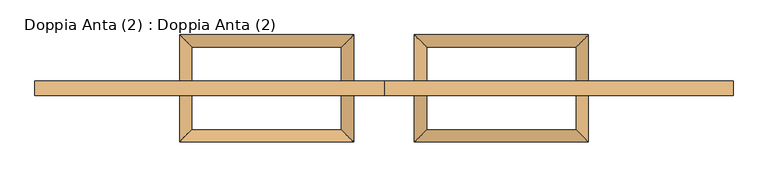
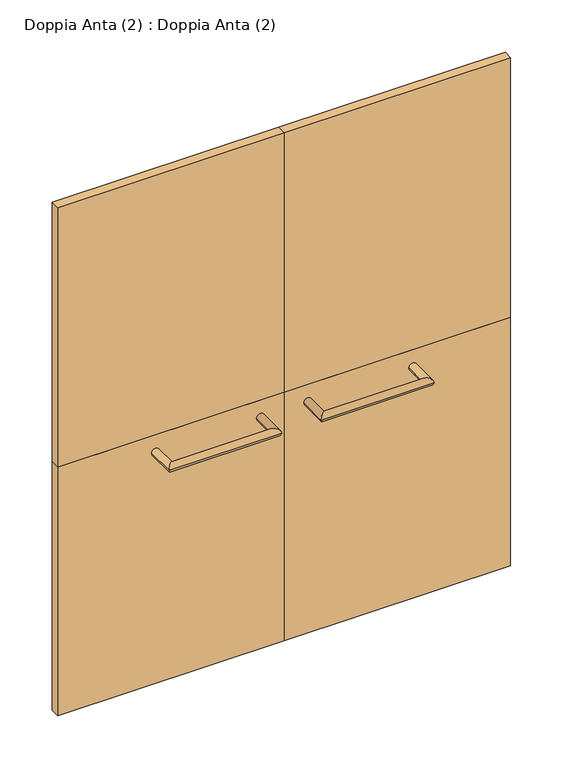
"""IFC4 building model written with IfcOpenShell, lengths in millimetres: door geometry, Doppia Anta (2) : Doppia Anta (2)."""

from ifc_helpers import new_model, si_unit, frame, origin, origin_with_axes, place, context, project, spatial, polyline, circle_curve, ellipse_curve, outline, extrude, source, transform, mapped, element, save
from ifc_brep_helpers import plane_surface, cylinder_surface, advanced_brep


def doppia_anta_2_doppia_anta_2_a67d2ca1(model_context):
    return source(origin(), model_context, "Body", "SolidModel", [
        extrude(outline(polyline([(0.0, 17.5), (0.0, -17.5), (-862.5000002, -17.5), (-862.5000002, 17.5), (0.0, 17.5)])), origin_with_axes(), (0.0, 0.0, 1.0), 1000.0),
        extrude(outline(polyline([(0.0, 17.5), (0.0, -17.5), (-862.5000002, -17.5), (-862.5000002, 17.5), (0.0, 17.5)])), frame((0.0, 0.0, 1000.0), z_axis=(0.0, 0.0, 1.0), x_axis=(1.0, 0.0, 0.0)), (0.0, 0.0, 1.0), 1045.0),
        extrude(outline(polyline([(862.5000002, 17.5), (862.5000002, -17.5), (0.0, -17.5), (0.0, 17.5), (862.5000002, 17.5)])), frame((0.0, 0.0, 1000.0), z_axis=(0.0, 0.0, 1.0), x_axis=(1.0, 0.0, 0.0)), (0.0, 0.0, 1.0), 1045.0),
        extrude(outline(polyline([(862.5000002, 17.5), (862.5000002, -17.5), (0.0, -17.5), (0.0, 17.5), (862.5000002, 17.5)])), origin_with_axes(), (0.0, 0.0, 1.0), 1000.0),
        advanced_brep(
        [(75.08, 17.5, 931.6623818), (105.08, 17.5, 931.6623818), (105.08, 102.5, 931.6623818), (75.08, 132.5, 931.6623818), (475.08, 102.5, 931.6623818), (505.08, 132.5, 931.6623818), (505.08, 17.5, 931.6623818), (475.08, 17.5, 931.6623818)],
        [
            (0, 1, circle_curve(frame((90.08, 17.5, 931.6623818), z_axis=(0.0, -1.0, 0.0), x_axis=(1.0, 0.0, 0.0)), 15.0)),
            (1, 0, circle_curve(frame((90.08, 17.5, 931.6623818), z_axis=(0.0, -1.0, 0.0), x_axis=(1.0, 0.0, 0.0)), 15.0)),
            (1, 2),
            (2, 3, ellipse_curve(frame((90.08, 117.5, 931.6623818), z_axis=(-0.7071067811865475, -0.7071067811865475, 0.0), x_axis=(0.7071067811865474, -0.7071067811865476, 0.0)), 21.2132034, 15.0)),
            (3, 0),
            (3, 2, ellipse_curve(frame((90.08, 117.5, 931.6623818), z_axis=(-0.7071067811865475, -0.7071067811865475, 0.0), x_axis=(0.7071067811865474, -0.7071067811865476, 0.0)), 21.2132034, 15.0)),
            (2, 4),
            (4, 5, ellipse_curve(frame((490.08, 117.5, 931.6623818), z_axis=(-0.7071067811865475, 0.7071067811865475, 0.0), x_axis=(-0.7071067811865476, -0.7071067811865474, 0.0)), 21.2132034, 15.0)),
            (5, 3),
            (5, 4, ellipse_curve(frame((490.08, 117.5, 931.6623818), z_axis=(-0.7071067811865475, 0.7071067811865475, 0.0), x_axis=(-0.7071067811865476, -0.7071067811865474, 0.0)), 21.2132034, 15.0)),
            (6, 7, circle_curve(frame((490.08, 17.5, 931.6623818), z_axis=(0.0, -1.0, 0.0), x_axis=(-1.0, 0.0, 0.0)), 15.0)),
            (7, 6, circle_curve(frame((490.08, 17.5, 931.6623818), z_axis=(0.0, -1.0, 0.0), x_axis=(-1.0, 0.0, 0.0)), 15.0)),
            (4, 7),
            (6, 5),
        ],
        [
            plane_surface(frame((90.08, 17.5, 931.6623818), z_axis=(0.0, -1.0, 0.0), x_axis=(0.0, 0.0, 1.0))),
            cylinder_surface(frame((90.08, 17.5, 931.6623818), z_axis=(0.0, -1.0, 0.0), x_axis=(1.0, 0.0, 0.0)), 15.0),
            cylinder_surface(frame((90.08, 117.5, 931.6623818), z_axis=(-1.0, 0.0, 0.0), x_axis=(0.0, -1.0, 0.0)), 15.0),
            plane_surface(frame((490.08, 17.5, 931.6623818), z_axis=(0.0, -1.0, 0.0), x_axis=(0.0, 0.0, 1.0))),
            cylinder_surface(frame((490.08, 117.5, 931.6623818), z_axis=(0.0, 1.0, 0.0), x_axis=(-1.0, 0.0, 0.0)), 15.0),
        ],
        [
            (0, [[1, 2]]),
            (1, [[3, 4, 5, -2]]),
            (1, [[-5, 6, -3, -1]]),
            (2, [[7, 8, 9, -4]]),
            (2, [[-9, 10, -7, -6]]),
            (3, [[11, 12]]),
            (4, [[13, -11, 14, -8]]),
            (4, [[-14, -12, -13, -10]]),
        ],
    ),
        advanced_brep(
        [(-505.0798099, 17.5, 931.6623818), (-475.0798099, 17.5, 931.6623818), (-475.0798099, 102.5, 931.6623818), (-505.0798099, 132.5, 931.6623818), (-105.0798099, 102.5, 931.6623818), (-75.0798099, 132.5, 931.6623818), (-75.0798099, 17.5, 931.6623818), (-105.0798099, 17.5, 931.6623818)],
        [
            (0, 1, circle_curve(frame((-490.0798099, 17.5, 931.6623818), z_axis=(0.0, -1.0, 0.0), x_axis=(1.0, 0.0, 0.0)), 15.0)),
            (1, 0, circle_curve(frame((-490.0798099, 17.5, 931.6623818), z_axis=(0.0, -1.0, 0.0), x_axis=(1.0, 0.0, 0.0)), 15.0)),
            (1, 2),
            (2, 3, ellipse_curve(frame((-490.0798099, 117.5, 931.6623818), z_axis=(-0.7071067811865475, -0.7071067811865475, 0.0), x_axis=(0.7071067811865474, -0.7071067811865476, 0.0)), 21.2132034, 15.0)),
            (3, 0),
            (3, 2, ellipse_curve(frame((-490.0798099, 117.5, 931.6623818), z_axis=(-0.7071067811865475, -0.7071067811865475, 0.0), x_axis=(0.7071067811865474, -0.7071067811865476, 0.0)), 21.2132034, 15.0)),
            (2, 4),
            (4, 5, ellipse_curve(frame((-90.0798099, 117.5, 931.6623818), z_axis=(-0.7071067811865475, 0.7071067811865475, 0.0), x_axis=(-0.7071067811865476, -0.7071067811865474, 0.0)), 21.2132034, 15.0)),
            (5, 3),
            (5, 4, ellipse_curve(frame((-90.0798099, 117.5, 931.6623818), z_axis=(-0.7071067811865475, 0.7071067811865475, 0.0), x_axis=(-0.7071067811865476, -0.7071067811865474, 0.0)), 21.2132034, 15.0)),
            (6, 7, circle_curve(frame((-90.0798099, 17.5, 931.6623818), z_axis=(0.0, -1.0, 0.0), x_axis=(-1.0, 0.0, 0.0)), 15.0)),
            (7, 6, circle_curve(frame((-90.0798099, 17.5, 931.6623818), z_axis=(0.0, -1.0, 0.0), x_axis=(-1.0, 0.0, 0.0)), 15.0)),
            (4, 7),
            (6, 5),
        ],
        [
            plane_surface(frame((-490.0798099, 17.5, 931.6623818), z_axis=(0.0, -1.0, 0.0), x_axis=(0.0, 0.0, 1.0))),
            cylinder_surface(frame((-490.0798099, 17.5, 931.6623818), z_axis=(0.0, -1.0, 0.0), x_axis=(1.0, 0.0, 0.0)), 15.0),
            cylinder_surface(frame((-490.0798099, 117.5, 931.6623818), z_axis=(-1.0, 0.0, 0.0), x_axis=(0.0, -1.0, 0.0)), 15.0),
            plane_surface(frame((-90.0798099, 17.5, 931.6623818), z_axis=(0.0, -1.0, 0.0), x_axis=(0.0, 0.0, 1.0))),
            cylinder_surface(frame((-90.0798099, 117.5, 931.6623818), z_axis=(0.0, 1.0, 0.0), x_axis=(-1.0, 0.0, 0.0)), 15.0),
        ],
        [
            (0, [[1, 2]]),
            (1, [[3, 4, 5, -2]]),
            (1, [[-5, 6, -3, -1]]),
            (2, [[7, 8, 9, -4]]),
            (2, [[-9, 10, -7, -6]]),
            (3, [[11, 12]]),
            (4, [[13, -11, 14, -8]]),
            (4, [[-14, -12, -13, -10]]),
        ],
    ),
        advanced_brep(
        [(105.08, -17.5, 931.6623818), (75.08, -17.5, 931.6623818), (75.08, -132.5, 931.6623818), (105.08, -102.5, 931.6623818), (505.08, -132.5, 931.6623818), (475.08, -102.5, 931.6623818), (475.08, -17.5, 931.6623818), (505.08, -17.5, 931.6623818)],
        [
            (0, 1, circle_curve(frame((90.08, -17.5, 931.6623818), z_axis=(0.0, 1.0, 0.0), x_axis=(-1.0, 0.0, 0.0)), 15.0)),
            (1, 0, circle_curve(frame((90.08, -17.5, 931.6623818), z_axis=(0.0, 1.0, 0.0), x_axis=(-1.0, 0.0, 0.0)), 15.0)),
            (1, 2),
            (2, 3, ellipse_curve(frame((90.08, -117.5, 931.6623818), z_axis=(-0.7071067811865475, 0.7071067811865475, 0.0), x_axis=(0.7071067811865474, 0.7071067811865476, 0.0)), 21.2132034, 15.0)),
            (3, 0),
            (3, 2, ellipse_curve(frame((90.08, -117.5, 931.6623818), z_axis=(-0.7071067811865475, 0.7071067811865475, 0.0), x_axis=(0.7071067811865474, 0.7071067811865476, 0.0)), 21.2132034, 15.0)),
            (2, 4),
            (4, 5, ellipse_curve(frame((490.08, -117.5, 931.6623818), z_axis=(-0.7071067811865475, -0.7071067811865475, 0.0), x_axis=(-0.7071067811865476, 0.7071067811865474, 0.0)), 21.2132034, 15.0)),
            (5, 3),
            (5, 4, ellipse_curve(frame((490.08, -117.5, 931.6623818), z_axis=(-0.7071067811865475, -0.7071067811865475, 0.0), x_axis=(-0.7071067811865476, 0.7071067811865474, 0.0)), 21.2132034, 15.0)),
            (6, 7, circle_curve(frame((490.08, -17.5, 931.6623818), z_axis=(0.0, 1.0, 0.0), x_axis=(1.0, 0.0, 0.0)), 15.0)),
            (7, 6, circle_curve(frame((490.08, -17.5, 931.6623818), z_axis=(0.0, 1.0, 0.0), x_axis=(1.0, 0.0, 0.0)), 15.0)),
            (4, 7),
            (6, 5),
        ],
        [
            plane_surface(frame((90.08, -17.5, 931.6623818), z_axis=(0.0, 1.0, 0.0), x_axis=(0.0, 0.0, 1.0))),
            cylinder_surface(frame((90.08, -17.5, 931.6623818), z_axis=(0.0, 1.0, 0.0), x_axis=(-1.0, 0.0, 0.0)), 15.0),
            cylinder_surface(frame((90.08, -117.5, 931.6623818), z_axis=(-1.0, 0.0, 0.0), x_axis=(0.0, -1.0, 0.0)), 15.0),
            plane_surface(frame((490.08, -17.5, 931.6623818), z_axis=(0.0, 1.0, 0.0), x_axis=(0.0, 0.0, 1.0))),
            cylinder_surface(frame((490.08, -117.5, 931.6623818), z_axis=(0.0, -1.0, 0.0), x_axis=(1.0, 0.0, 0.0)), 15.0),
        ],
        [
            (0, [[1, 2]]),
            (1, [[3, 4, 5, -2]]),
            (1, [[-5, 6, -3, -1]]),
            (2, [[7, 8, 9, -4]]),
            (2, [[-9, 10, -7, -6]]),
            (3, [[11, 12]]),
            (4, [[13, -11, 14, -8]]),
            (4, [[-14, -12, -13, -10]]),
        ],
    ),
        advanced_brep(
        [(-75.0798099, -17.5, 931.6623818), (-105.0798099, -17.5, 931.6623818), (-105.0798099, -102.5, 931.6623818), (-75.0798099, -132.5, 931.6623818), (-475.0798099, -102.5, 931.6623818), (-505.0798099, -132.5, 931.6623818), (-505.0798099, -17.5, 931.6623818), (-475.0798099, -17.5, 931.6623818)],
        [
            (0, 1, circle_curve(frame((-90.0798099, -17.5, 931.6623818), z_axis=(0.0, 1.0, 0.0), x_axis=(-1.0, 0.0, 0.0)), 15.0)),
            (1, 0, circle_curve(frame((-90.0798099, -17.5, 931.6623818), z_axis=(0.0, 1.0, 0.0), x_axis=(-1.0, 0.0, 0.0)), 15.0)),
            (1, 2),
            (2, 3, ellipse_curve(frame((-90.0798099, -117.5, 931.6623818), z_axis=(0.7071067811865475, 0.7071067811865475, 0.0), x_axis=(-0.7071067811865474, 0.7071067811865476, 0.0)), 21.2132034, 15.0)),
            (3, 0),
            (3, 2, ellipse_curve(frame((-90.0798099, -117.5, 931.6623818), z_axis=(0.7071067811865475, 0.7071067811865475, 0.0), x_axis=(-0.7071067811865474, 0.7071067811865476, 0.0)), 21.2132034, 15.0)),
            (2, 4),
            (4, 5, ellipse_curve(frame((-490.0798099, -117.5, 931.6623818), z_axis=(0.7071067811865475, -0.7071067811865475, 0.0), x_axis=(0.7071067811865476, 0.7071067811865474, 0.0)), 21.2132034, 15.0)),
            (5, 3),
            (5, 4, ellipse_curve(frame((-490.0798099, -117.5, 931.6623818), z_axis=(0.7071067811865475, -0.7071067811865475, 0.0), x_axis=(0.7071067811865476, 0.7071067811865474, 0.0)), 21.2132034, 15.0)),
            (6, 7, circle_curve(frame((-490.0798099, -17.5, 931.6623818), z_axis=(0.0, 1.0, 0.0), x_axis=(1.0, 0.0, 0.0)), 15.0)),
            (7, 6, circle_curve(frame((-490.0798099, -17.5, 931.6623818), z_axis=(0.0, 1.0, 0.0), x_axis=(1.0, 0.0, 0.0)), 15.0)),
            (4, 7),
            (6, 5),
        ],
        [
            plane_surface(frame((-90.0798099, -17.5, 931.6623818), z_axis=(0.0, 1.0, 0.0), x_axis=(0.0, 0.0, 1.0))),
            cylinder_surface(frame((-90.0798099, -17.5, 931.6623818), z_axis=(0.0, 1.0, 0.0), x_axis=(-1.0, 0.0, 0.0)), 15.0),
            cylinder_surface(frame((-90.0798099, -117.5, 931.6623818), z_axis=(1.0, 0.0, 0.0), x_axis=(0.0, 1.0, 0.0)), 15.0),
            plane_surface(frame((-490.0798099, -17.5, 931.6623818), z_axis=(0.0, 1.0, 0.0), x_axis=(0.0, 0.0, 1.0))),
            cylinder_surface(frame((-490.0798099, -117.5, 931.6623818), z_axis=(0.0, -1.0, 0.0), x_axis=(1.0, 0.0, 0.0)), 15.0),
        ],
        [
            (0, [[1, 2]]),
            (1, [[3, 4, 5, -2]]),
            (1, [[-5, 6, -3, -1]]),
            (2, [[7, 8, 9, -4]]),
            (2, [[-9, 10, -7, -6]]),
            (3, [[11, 12]]),
            (4, [[13, -11, 14, -8]]),
            (4, [[-14, -12, -13, -10]]),
        ],
    ),
    ])


if __name__ == "__main__":
    model = new_model("IFC4")
    model_context = context("Model", 3, world=origin())
    ifc_project = project(units=[si_unit("LENGTHUNIT", "METRE", prefix="MILLI")], contexts=[model_context])
    site = spatial("IfcSite", under=ifc_project)
    building = spatial("IfcBuilding", under=site)
    placement = place(None, origin())
    doppia_anta_2_doppia_anta_2_shape = doppia_anta_2_doppia_anta_2_a67d2ca1(model_context)
    element("IfcDoor", 1, ObjectType="Doppia Anta (2) : Doppia Anta (2)", at=placement, inside=building, context=model_context, shape_type="MappedRepresentation", body=[
        mapped(doppia_anta_2_doppia_anta_2_shape, transform((0.0, 0.0, 0.0), x_axis=(1.0, 0.0, 0.0), y_axis=(0.0, 1.0, 0.0), z_axis=(0.0, 0.0, 1.0))),
    ])
    save(model, "model.ifc")
